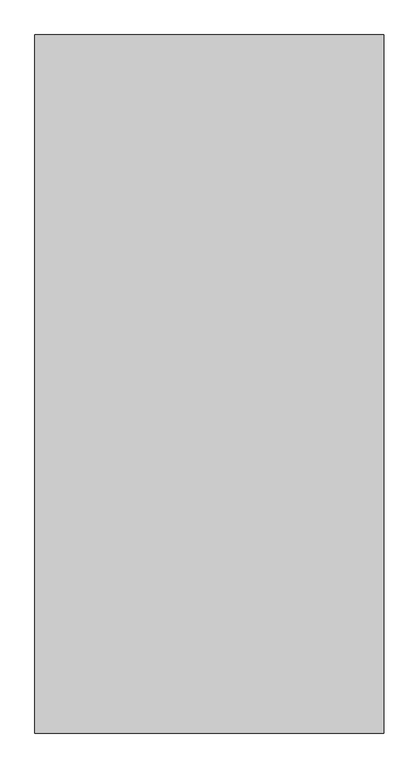
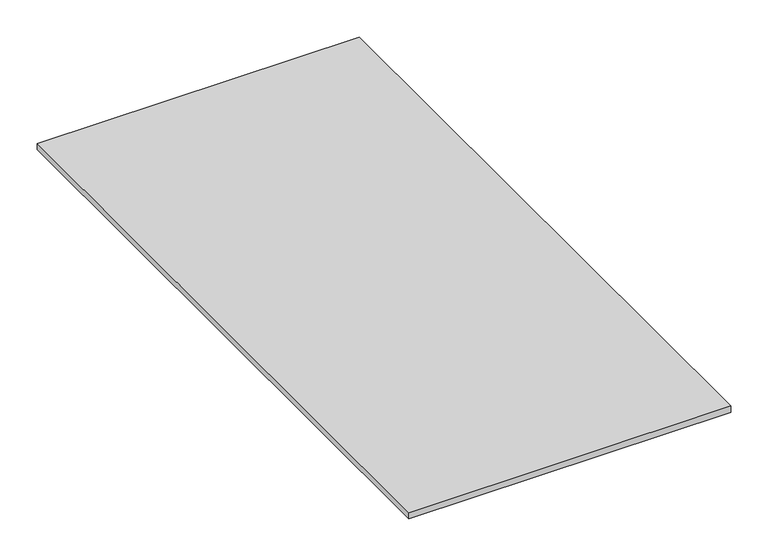
"""IFC4 building model written with IfcOpenShell, lengths in millimetres: proxy geometry."""

from ifc_helpers import new_model, si_unit, origin, origin_with_axes, place, context, project, spatial, polyline, outline, extrude, source, transform, mapped, element, save


def generic_models_73d79b55(model_context):
    return source(origin(), model_context, "Body", "SweptSolid", [
        extrude(outline(polyline([(-16829.2833082, 147.1625159), (-16829.2833082, -852.8374841), (-17329.2833082, -852.8374841), (-17329.2833082, 147.1625159), (-16829.2833082, 147.1625159)])), origin_with_axes(), (0.0, 0.0, 1.0), 10.0),
    ])


if __name__ == "__main__":
    model = new_model("IFC4")
    model_context = context("Model", 3, world=origin())
    ifc_project = project(units=[si_unit("LENGTHUNIT", "METRE", prefix="MILLI")], contexts=[model_context])
    site = spatial("IfcSite", under=ifc_project)
    building = spatial("IfcBuilding", under=site)
    placement = place(None, origin())
    generic_models_shape = generic_models_73d79b55(model_context)
    element("IfcBuildingElementProxy", 1, Name="Generic Models", at=placement, inside=building, context=model_context, shape_type="MappedRepresentation", body=[
        mapped(generic_models_shape, transform((0.0, 0.0, 0.0), x_axis=(1.0, 0.0, 0.0), y_axis=(0.0, 1.0, 0.0), z_axis=(0.0, 0.0, 1.0))),
    ])
    save(model, "model.ifc")
